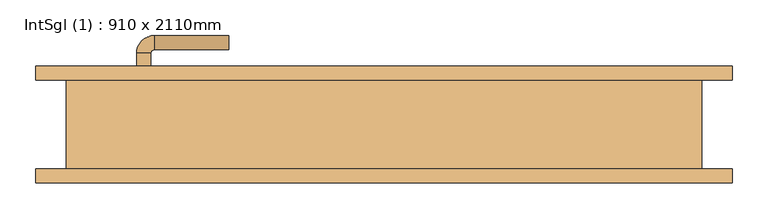
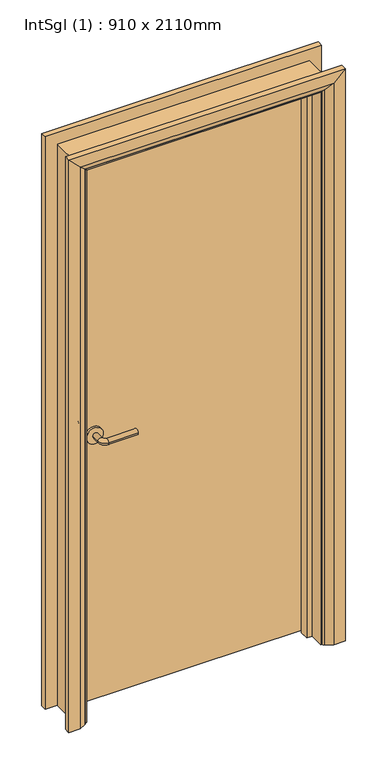
"""IFC4 building model written with IfcOpenShell, lengths in millimetres: door geometry, IntSgl (1) : 910 x 2110mm."""

import ifcopenshell
import ifcopenshell.guid

model = None  # the IFC model being written
_history = None  # IfcOwnerHistory: only IFC2X3 demands one
_inside = {}  # id of a spatial element -> (the spatial element, [elements in it])
_under = {}  # id of a project, library or spatial element -> (it, [spatial elements below it])
_declared = {}  # id of a project -> (the project, [libraries it declares])
_typed = {}  # id of a type object -> (the type object, [elements of that type])
_made_of = {}  # id of a material, layer set ... -> (it, [elements and type objects made of it])


def new_model(schema):
    """Start an empty IFC model of exactly this schema.

    Asked for "IFC4X3", IfcOpenShell would pick the latest addendum, in which some entities
    have other attributes; the version numbers below select the first issue.
    IFC2X3 requires an IfcOwnerHistory on every rooted entity: one is made here for all.
    """
    global model, _history
    if schema == "IFC4X3":
        model = ifcopenshell.file(schema_version=(4, 3, 0, 0))
    else:
        model = ifcopenshell.file(schema=schema)
    _inside.clear()
    _under.clear()
    _declared.clear()
    _typed.clear()
    _made_of.clear()
    _history = None
    if model.schema == "IFC2X3":
        org = make("IfcOrganization", Name="unknown")
        user = make(
            "IfcPersonAndOrganization",
            ThePerson=make("IfcPerson", FamilyName="unknown"),
            TheOrganization=org,
        )
        app = make(
            "IfcApplication",
            ApplicationDeveloper=org,
            Version="unknown",
            ApplicationFullName="unknown",
            ApplicationIdentifier="unknown",
        )
        _history = make(
            "IfcOwnerHistory",
            OwningUser=user,
            OwningApplication=app,
            ChangeAction="ADDED",
            CreationDate=0,
        )
    return model


def make(cls, **values):
    """One entity of the class cls with the attributes given. An attribute that is None is left unset."""
    return model.create_entity(
        cls, **{name: value for name, value in values.items() if value is not None}
    )


def rooted(cls, **values):
    """An entity with a GlobalId (a new one), such as an element, a storey or a relation."""
    return make(cls, GlobalId=ifcopenshell.guid.new(), OwnerHistory=_history, **values)


def si_unit(unit_type, name, prefix=None):
    """IfcSIUnit, for example si_unit("LENGTHUNIT", "METRE", prefix="MILLI")."""
    return make("IfcSIUnit", UnitType=unit_type, Prefix=prefix, Name=name)


def assignment(units):
    """IfcUnitAssignment: the units of a project."""
    return None if units is None else make("IfcUnitAssignment", Units=units)


def point(xyz):
    """IfcCartesianPoint."""
    return None if xyz is None else make("IfcCartesianPoint", Coordinates=xyz)


def direction(xyz):
    """IfcDirection."""
    return None if xyz is None else make("IfcDirection", DirectionRatios=xyz)


def frame(location, z_axis=None, x_axis=None):
    """IfcAxis2Placement3D, a coordinate frame: its origin and axes. An axis left out is left unset."""
    return make(
        "IfcAxis2Placement3D",
        Location=point(location),
        Axis=direction(z_axis),
        RefDirection=direction(x_axis),
    )


def frame_2d(location, x_axis=None):
    """IfcAxis2Placement2D, a coordinate frame in the plane: its origin and x axis."""
    return make(
        "IfcAxis2Placement2D", Location=point(location), RefDirection=direction(x_axis)
    )


def origin():
    """The frame at (0, 0, 0) with its axes left unset."""
    return frame((0.0, 0.0, 0.0))


def place(relative_to, where):
    """IfcLocalPlacement: puts the frame where relative to a parent placement (None: the world)."""
    return make(
        "IfcLocalPlacement", PlacementRelTo=relative_to, RelativePlacement=where
    )


def context(
    kind, dimensions, precision=None, world=None, true_north=None, identifier=None
):
    """IfcGeometricRepresentationContext, for example the 3D "Model" context."""
    return make(
        "IfcGeometricRepresentationContext",
        ContextIdentifier=identifier,
        ContextType=kind,
        CoordinateSpaceDimension=dimensions,
        Precision=precision,
        WorldCoordinateSystem=world,
        TrueNorth=true_north,
    )


def project(units=None, contexts=None):
    """IfcProject with its units and contexts."""
    return rooted(
        "IfcProject",
        Name="project",
        RepresentationContexts=contexts,
        UnitsInContext=assignment(units),
    )


def spatial(cls, under=None, at=None, **own):
    """A site, building, storey or space (cls), placed at a placement, below another one or the project."""
    s = rooted(cls, ObjectPlacement=at, **own)
    if under is not None:
        _under.setdefault(under.id(), (under, []))[1].append(s)
    return s


def polyline(points):
    """IfcPolyline through the points."""
    return make("IfcPolyline", Points=[point(p) for p in points])


def circle_curve(where, radius):
    """IfcCircle in the frame where."""
    return make("IfcCircle", Position=where, Radius=radius)


def ellipse_curve(where, semi_axis1, semi_axis2):
    """IfcEllipse in the frame where."""
    return make(
        "IfcEllipse", Position=where, SemiAxis1=semi_axis1, SemiAxis2=semi_axis2
    )


def trimmed(basis, trim1, trim2, sense, master):
    """IfcTrimmedCurve: the piece of a basis curve between two trims."""
    return make(
        "IfcTrimmedCurve",
        BasisCurve=basis,
        Trim1=trim1,
        Trim2=trim2,
        SenseAgreement=sense,
        MasterRepresentation=master,
    )


def segment(curve, same_sense, transition):
    """IfcCompositeCurveSegment."""
    return make(
        "IfcCompositeCurveSegment",
        Transition=transition,
        SameSense=same_sense,
        ParentCurve=curve,
    )


def composite_curve(segments, self_intersect=None):
    """IfcCompositeCurve: segments joined end to end."""
    return make("IfcCompositeCurve", Segments=segments, SelfIntersect=self_intersect)


def outline(outer, holes=None, kind="AREA"):
    """IfcArbitraryClosedProfileDef: a profile drawn as a closed curve; with holes, ...WithVoids."""
    if holes is None:
        return make("IfcArbitraryClosedProfileDef", ProfileType=kind, OuterCurve=outer)
    return make(
        "IfcArbitraryProfileDefWithVoids",
        ProfileType=kind,
        OuterCurve=outer,
        InnerCurves=holes,
    )


def extrude(swept, where, along, depth):
    """IfcExtrudedAreaSolid: the profile swept, set in the frame where, extruded along a direction by depth."""
    return make(
        "IfcExtrudedAreaSolid",
        SweptArea=swept,
        Position=where,
        ExtrudedDirection=direction(along),
        Depth=depth,
    )


def faces_of(points, faces, orient=None, outer=None):
    """IfcFace entities. A face is a list of loops; a loop is a list of indices into points, from 0.

    orient and outer hold one flag for each loop. By default every Orientation is true, the
    first loop of a face is its IfcFaceOuterBound and the others are IfcFaceBound.
    """
    made = []
    for i, loops in enumerate(faces):
        bounds = []
        for j, loop in enumerate(loops):
            is_outer = j == 0 if outer is None else outer[i][j]
            bounds.append(
                make(
                    "IfcFaceOuterBound" if is_outer else "IfcFaceBound",
                    Bound=make("IfcPolyLoop", Polygon=[points[k] for k in loop]),
                    Orientation=True if orient is None else orient[i][j],
                )
            )
        made.append(make("IfcFace", Bounds=bounds))
    return made


def faceted_brep(points, faces, orient=None, outer=None, voids=None):
    """IfcFacetedBrep: a solid bounded by flat faces; with voids (closed shells), ...WithVoids."""
    shared = [point(p) for p in points]
    hull = make("IfcClosedShell", CfsFaces=faces_of(shared, faces, orient, outer))
    if voids is None:
        return make("IfcFacetedBrep", Outer=hull)
    return make(
        "IfcFacetedBrepWithVoids",
        Outer=hull,
        Voids=[
            make(cls, CfsFaces=faces_of(shared, fs, o, b)) for cls, fs, o, b in voids
        ],
    )


def shape(context_of_items, identifier, shape_type, items):
    """IfcShapeRepresentation: the items that make up one representation, for example the "Body"."""
    return make(
        "IfcShapeRepresentation",
        ContextOfItems=context_of_items,
        RepresentationIdentifier=identifier,
        RepresentationType=shape_type,
        Items=items,
    )


def source(mapping_origin, context_of_items, identifier, shape_type, items):
    """IfcRepresentationMap: a shape defined once, which mapped items show again and again."""
    return make(
        "IfcRepresentationMap",
        MappingOrigin=mapping_origin,
        MappedRepresentation=shape(context_of_items, identifier, shape_type, items),
    )


def transform(
    local_origin,
    x_axis=None,
    y_axis=None,
    z_axis=None,
    scale=None,
    scale2=None,
    scale3=None,
    uniform=True,
):
    """IfcCartesianTransformationOperator3D, or its non-uniform kind. x_axis, y_axis, z_axis: its Axis1, 2, 3."""
    if uniform:
        return make(
            "IfcCartesianTransformationOperator3D",
            Axis1=direction(x_axis),
            Axis2=direction(y_axis),
            LocalOrigin=point(local_origin),
            Scale=scale,
            Axis3=direction(z_axis),
        )
    return make(
        "IfcCartesianTransformationOperator3DnonUniform",
        Axis1=direction(x_axis),
        Axis2=direction(y_axis),
        LocalOrigin=point(local_origin),
        Scale=scale,
        Axis3=direction(z_axis),
        Scale2=scale2,
        Scale3=scale3,
    )


def mapped(mapping_source, mapping_target):
    """IfcMappedItem: shows the shape of a source again, moved by a transform."""
    return make(
        "IfcMappedItem", MappingSource=mapping_source, MappingTarget=mapping_target
    )


def made_of(thing, what):
    """Note that an element or type object is made of a material, layer set ...; save() writes the relation."""
    if what is not None:
        _made_of.setdefault(what.id(), (what, []))[1].append(thing)
    return thing


def element(
    cls,
    number,
    at=None,
    inside=None,
    cuts=None,
    type_object=None,
    material=None,
    context=None,
    identifier="Body",
    shape_type=None,
    held_by="IfcProductDefinitionShape",
    body=None,
    shapes=None,
    **own,
):
    """One element of the class cls, such as IfcWall. Its Tag is "e" and its number.

    at: its placement. inside: the storey or other place that contains it. cuts: it is an
    opening in that element (IfcRelVoidsElement). A single representation is given by context,
    identifier, shape_type and body (its items); several are given by shapes. held_by: the class
    of the entity that holds the representations. save() writes the other relations.
    """
    e = rooted(cls, Tag="e%d" % number, ObjectPlacement=at, **own)
    if body is not None:
        shapes = [shape(context, identifier, shape_type, body)]
    if shapes is not None:
        e.Representation = make(held_by, Representations=shapes)
    if inside is not None:
        _inside.setdefault(inside.id(), (inside, []))[1].append(e)
    if cuts is not None:
        rooted(
            "IfcRelVoidsElement", RelatingBuildingElement=cuts, RelatedOpeningElement=e
        )
    if type_object is not None:
        _typed.setdefault(type_object.id(), (type_object, []))[1].append(e)
    return made_of(e, material)


def aggregate(whole, parts):
    """IfcRelAggregates: a whole, such as a stair, and the parts it consists of."""
    return rooted("IfcRelAggregates", RelatingObject=whole, RelatedObjects=parts)


def save(model, path):
    """Write the relations noted so far, then the file.

    IfcRelAggregates (storeys below a building ...), IfcRelContainedInSpatialStructure (elements
    in a storey), IfcRelDefinesByType, IfcRelAssociatesMaterial and IfcRelDeclares: one each for
    every whole, place, type object, material and project.
    """
    for whole, parts in _under.values():
        aggregate(whole, parts)
    for where, things in _inside.values():
        rooted(
            "IfcRelContainedInSpatialStructure",
            RelatedElements=things,
            RelatingStructure=where,
        )
    for kind, things in _typed.values():
        rooted("IfcRelDefinesByType", RelatedObjects=things, RelatingType=kind)
    for what, things in _made_of.values():
        rooted("IfcRelAssociatesMaterial", RelatedObjects=things, RelatingMaterial=what)
    for by, libraries in _declared.values():
        rooted("IfcRelDeclares", RelatingContext=by, RelatedDefinitions=libraries)
    model.write(path)


def plane_surface(at):
    """IfcPlane: the flat surface through the origin of the frame at, square to its z axis."""
    return make("IfcPlane", Position=at)


def cylinder_surface(at, radius):
    """IfcCylindricalSurface: all points at the distance radius from the z axis of the frame at."""
    return make("IfcCylindricalSurface", Position=at, Radius=radius)


def revolved_surface(curve, axis_point, axis_direction):
    """IfcSurfaceOfRevolution: the curve turned about the line through axis_point along axis_direction."""
    return make(
        "IfcSurfaceOfRevolution",
        SweptCurve=make("IfcArbitraryOpenProfileDef", ProfileType="CURVE", Curve=curve),
        AxisPosition=make("IfcAxis1Placement", Location=point(axis_point), Axis=direction(axis_direction)),
    )


def advanced_brep(points, edges, surfaces, faces):
    """IfcAdvancedBrep: a solid bounded by faces that lie on surfaces and meet in shared edges.

    An edge is (start, end): straight between two places in points (the first is 0);
    or (start, end, curve); or (start, end, curve, False) where it runs against its curve.
    A face is (place in surfaces, loops), or (place, loops, False) where it looks against
    its surface's normal. A loop lists edges by number (the first is 1), with a minus sign
    where the edge is run from its end to its start. The first loop is the outer one.
    """
    corners = [point(p) for p in points]
    vertices = [make("IfcVertexPoint", VertexGeometry=c) for c in corners]
    made = []
    for start, end, *more in edges:
        made.append(
            make(
                "IfcEdgeCurve",
                EdgeStart=vertices[start],
                EdgeEnd=vertices[end],
                EdgeGeometry=more[0] if more else make("IfcPolyline", Points=[corners[start], corners[end]]),
                SameSense=more[1] if len(more) > 1 else True,
            )
        )
    hull = []
    for where, loops, *sense in faces:
        bounds = []
        for j, loop in enumerate(loops):
            ring = [make("IfcOrientedEdge", EdgeElement=made[abs(k) - 1], Orientation=k > 0) for k in loop]
            bounds.append(
                make(
                    "IfcFaceOuterBound" if j == 0 else "IfcFaceBound",
                    Bound=make("IfcEdgeLoop", EdgeList=ring),
                    Orientation=True,
                )
            )
        hull.append(make("IfcAdvancedFace", Bounds=bounds, FaceSurface=surfaces[where], SameSense=sense[0] if sense else True))
    return make("IfcAdvancedBrep", Outer=make("IfcClosedShell", CfsFaces=hull))


def intsgl_1_910_x_2110mm_1208da3b(model_context):
    return source(origin(), model_context, "Body", "SolidModel", [
        advanced_brep(
        [(-348.0, 16.5, 1000.0), (-328.0, 16.5, 1000.0), (-328.0, -13.5, 1000.0), (-348.0, -13.5, 1000.0), (-323.0, -18.5, 1000.0), (-323.0, -38.5, 1000.0), (-218.0, -38.5, 1000.0), (-218.0, -18.5, 1000.0)],
        [
            (0, 1, circle_curve(frame((-338.0, 16.5, 1000.0), z_axis=(0.0, 1.0, 0.0), x_axis=(1.0, 0.0, 0.0)), 10.0)),
            (1, 0, circle_curve(frame((-338.0, 16.5, 1000.0), z_axis=(0.0, 1.0, 0.0), x_axis=(1.0, 0.0, 0.0)), 10.0)),
            (1, 2),
            (2, 3, circle_curve(frame((-338.0, -13.5, 1000.0), z_axis=(0.0, 1.0, 0.0), x_axis=(1.0, 0.0, 0.0)), 10.0)),
            (3, 0),
            (3, 2, circle_curve(frame((-338.0, -13.5, 1000.0), z_axis=(0.0, 1.0, 0.0), x_axis=(1.0, 0.0, 0.0)), 10.0)),
            (4, 5, circle_curve(frame((-323.0, -28.5, 1000.0), z_axis=(-1.0, 0.0, 0.0), x_axis=(0.0, 1.0, 0.0)), 10.0)),
            (5, 3, circle_curve(frame((-323.0, -13.5, 1000.0), z_axis=(0.0, 0.0, -1.0), x_axis=(-1.0, 0.0, 0.0)), 25.0)),
            (2, 4, circle_curve(frame((-323.0, -13.5, 1000.0), z_axis=(0.0, 0.0, 1.0), x_axis=(-1.0, 0.0, 0.0)), 5.0)),
            (5, 4, circle_curve(frame((-323.0, -28.5, 1000.0), z_axis=(-1.0, 0.0, 0.0), x_axis=(0.0, 1.0, 0.0)), 10.0)),
            (6, 7, circle_curve(frame((-218.0, -28.5, 1000.0), z_axis=(1.0, 0.0, 0.0), x_axis=(0.0, 1.0, 0.0)), 10.0)),
            (7, 6, circle_curve(frame((-218.0, -28.5, 1000.0), z_axis=(1.0, 0.0, 0.0), x_axis=(0.0, 1.0, 0.0)), 10.0)),
            (4, 7),
            (6, 5),
        ],
        [
            plane_surface(frame((-338.0, 16.5, 1000.0), z_axis=(0.0, 1.0, 0.0), x_axis=(0.0, 0.0, 1.0))),
            cylinder_surface(frame((-338.0, 16.5, 1000.0), z_axis=(0.0, 1.0, 0.0), x_axis=(1.0, 0.0, 0.0)), 10.0),
            revolved_surface(trimmed(ellipse_curve(frame((-338.0, -13.5, 1000.0), z_axis=(0.0, -1.0, 0.0), x_axis=(1.0, 0.0, 0.0)), 10.0, 10.0), [point((-348.0, -13.5, 1000.0))], [point((-328.0, -13.5, 1000.0))], True, "CARTESIAN"), (-323.0, -13.5, 1000.0), (0.0, 0.0, -1.0)),
            revolved_surface(trimmed(ellipse_curve(frame((-338.0, -13.5, 1000.0), z_axis=(0.0, -1.0, 0.0), x_axis=(1.0, 0.0, 0.0)), 10.0, 10.0), [point((-328.0, -13.5, 1000.0))], [point((-348.0, -13.5, 1000.0))], True, "CARTESIAN"), (-323.0, -13.5, 1000.0), (0.0, 0.0, -1.0)),
            plane_surface(frame((-218.0, -28.5, 1000.0), z_axis=(1.0, 0.0, 0.0), x_axis=(0.0, 0.0, 1.0))),
            cylinder_surface(frame((-323.0, -28.5, 1000.0), z_axis=(-1.0, 0.0, 0.0), x_axis=(0.0, 1.0, 0.0)), 10.0),
        ],
        [
            (0, [[1, 2]]),
            (1, [[3, 4, 5, -2]]),
            (1, [[-5, 6, -3, -1]]),
            (2, [[7, 8, -4, 9]]),
            (3, [[10, -9, -6, -8]]),
            (4, [[11, 12]]),
            (5, [[13, -11, 14, -7]]),
            (5, [[-14, -12, -13, -10]]),
        ],
    ),
        extrude(outline(composite_curve([segment(trimmed(circle_curve(frame_2d((1000.0, -340.5)), 30.0), [point((1000.0, -370.5))], [point((1000.0, -310.5))], False, "CARTESIAN"), True, "CONTINUOUS"), segment(trimmed(circle_curve(frame_2d((1000.0, -340.5)), 30.0), [point((1000.0, -310.5))], [point((1000.0, -370.5))], False, "CARTESIAN"), True, "CONTINUOUS")], self_intersect=False)), frame((0.0, 16.5, 0.0), z_axis=(0.0, 1.0, 0.0), x_axis=(0.0, 0.0, 1.0)), (0.0, 0.0, 1.0), 8.0),
        advanced_brep(
        [(-348.0, 70.5, 1000.0), (-328.0, 70.5, 1000.0), (-348.0, 100.5, 1000.0), (-328.0, 100.5, 1000.0), (-323.0, 105.5, 1000.0), (-323.0, 125.5, 1000.0), (-218.0, 125.5, 1000.0), (-218.0, 105.5, 1000.0)],
        [
            (0, 1, circle_curve(frame((-338.0, 70.5, 1000.0), z_axis=(0.0, -1.0, 0.0), x_axis=(1.0, 0.0, 0.0)), 10.0)),
            (1, 0, circle_curve(frame((-338.0, 70.5, 1000.0), z_axis=(0.0, -1.0, 0.0), x_axis=(1.0, 0.0, 0.0)), 10.0)),
            (0, 2),
            (2, 3, circle_curve(frame((-338.0, 100.5, 1000.0), z_axis=(0.0, -1.0, 0.0), x_axis=(1.0, 0.0, 0.0)), 10.0)),
            (3, 1),
            (3, 2, circle_curve(frame((-338.0, 100.5, 1000.0), z_axis=(0.0, -1.0, 0.0), x_axis=(1.0, 0.0, 0.0)), 10.0)),
            (4, 3, circle_curve(frame((-323.0, 100.5, 1000.0), z_axis=(0.0, 0.0, 1.0), x_axis=(-1.0, 0.0, 0.0)), 5.0)),
            (2, 5, circle_curve(frame((-323.0, 100.5, 1000.0), z_axis=(0.0, 0.0, -1.0), x_axis=(-1.0, 0.0, 0.0)), 25.0)),
            (5, 4, circle_curve(frame((-323.0, 115.5, 1000.0), z_axis=(-1.0, 0.0, 0.0), x_axis=(0.0, -1.0, 0.0)), 10.0)),
            (4, 5, circle_curve(frame((-323.0, 115.5, 1000.0), z_axis=(-1.0, 0.0, 0.0), x_axis=(0.0, -1.0, 0.0)), 10.0)),
            (6, 7, circle_curve(frame((-218.0, 115.5, 1000.0), z_axis=(1.0, 0.0, 0.0), x_axis=(0.0, -1.0, 0.0)), 10.0)),
            (7, 6, circle_curve(frame((-218.0, 115.5, 1000.0), z_axis=(1.0, 0.0, 0.0), x_axis=(0.0, -1.0, 0.0)), 10.0)),
            (5, 6),
            (7, 4),
        ],
        [
            plane_surface(frame((-338.0, 70.5, 1000.0), z_axis=(0.0, -1.0, 0.0), x_axis=(0.0, 0.0, 1.0))),
            cylinder_surface(frame((-338.0, 70.5, 1000.0), z_axis=(0.0, -1.0, 0.0), x_axis=(1.0, 0.0, 0.0)), 10.0),
            revolved_surface(trimmed(ellipse_curve(frame((-338.0, 100.5, 1000.0), z_axis=(0.0, -1.0, 0.0), x_axis=(1.0, 0.0, 0.0)), 10.0, 10.0), [point((-348.0, 100.5, 1000.0))], [point((-328.0, 100.5, 1000.0))], True, "CARTESIAN"), (-323.0, 100.5, 1000.0), (0.0, 0.0, -1.0)),
            revolved_surface(trimmed(ellipse_curve(frame((-338.0, 100.5, 1000.0), z_axis=(0.0, -1.0, 0.0), x_axis=(1.0, 0.0, 0.0)), 10.0, 10.0), [point((-328.0, 100.5, 1000.0))], [point((-348.0, 100.5, 1000.0))], True, "CARTESIAN"), (-323.0, 100.5, 1000.0), (0.0, 0.0, -1.0)),
            plane_surface(frame((-218.0, 115.5, 1000.0), z_axis=(1.0, 0.0, 0.0), x_axis=(0.0, 0.0, 1.0))),
            cylinder_surface(frame((-323.0, 115.5, 1000.0), z_axis=(-1.0, 0.0, 0.0), x_axis=(0.0, -1.0, 0.0)), 10.0),
        ],
        [
            (0, [[1, 2]]),
            (1, [[-1, 3, 4, 5]]),
            (1, [[-2, -5, 6, -3]]),
            (2, [[7, -4, 8, 9]]),
            (3, [[-8, -6, -7, 10]]),
            (4, [[11, 12]]),
            (5, [[-9, 13, -12, 14]]),
            (5, [[-10, -14, -11, -13]]),
        ],
    ),
        extrude(outline(composite_curve([segment(trimmed(circle_curve(frame_2d((1000.0, -340.5)), 30.0), [point((1000.0, -370.5))], [point((1000.0, -310.5))], False, "CARTESIAN"), True, "CONTINUOUS"), segment(trimmed(circle_curve(frame_2d((1000.0, -340.5)), 30.0), [point((1000.0, -310.5))], [point((1000.0, -370.5))], False, "CARTESIAN"), True, "CONTINUOUS")], self_intersect=False)), frame((0.0, 62.5, 0.0), z_axis=(0.0, 1.0, 0.0), x_axis=(0.0, 0.0, 1.0)), (0.0, 0.0, 1.0), 8.0),
        extrude(outline(polyline([(413.0, 24.5), (-413.0, 24.5), (-413.0, 62.5), (413.0, 62.5), (413.0, 24.5)])), frame((0.0, 0.0, 8.0), z_axis=(0.0, 0.0, 1.0), x_axis=(1.0, 0.0, 0.0)), (0.0, 0.0, 1.0), 2060.0),
        advanced_brep(
        [(490.0, 82.5, 0.0), (490.0, 62.5, 0.0), (420.0, 62.5, 0.0), (424.0, 68.5, 0.0), (450.0, 82.5, 0.0), (490.0, 82.5, 2145.0), (490.0, 62.5, 2145.0), (-490.0, 62.5, 2145.0), (-490.0, 62.5, 0.0), (-420.0, 62.5, 0.0), (-420.0, 62.5, 2075.0), (420.0, 62.5, 2075.0), (424.0, 68.5, 2079.0), (450.0, 82.5, 2105.0), (-450.0, 82.5, 2105.0), (-450.0, 82.5, 0.0), (-490.0, 82.5, 0.0), (-490.0, 82.5, 2145.0), (-424.0, 68.5, 2079.0), (-424.0, 68.5, 0.0)],
        [
            (0, 1),
            (1, 2),
            (2, 3, circle_curve(frame((428.0, 61.5, 0.0), z_axis=(0.0, 0.0, -1.0), x_axis=(1.0, 0.0, 0.0)), 8.0622577)),
            (3, 4),
            (4, 0),
            (0, 5),
            (5, 6),
            (6, 1),
            (6, 7),
            (7, 8),
            (8, 9),
            (9, 10),
            (10, 11),
            (11, 2),
            (11, 12, ellipse_curve(frame((428.0, 61.5, 2083.0), z_axis=(0.7071067811865475, 0.0, -0.7071067811865475), x_axis=(-0.7071067811865474, 0.0, -0.7071067811865476)), 11.4017543, 8.0622577)),
            (12, 3),
            (12, 13),
            (13, 4),
            (13, 14),
            (14, 15),
            (15, 16),
            (16, 17),
            (17, 5),
            (17, 7),
            (10, 18, ellipse_curve(frame((-428.0, 61.5, 2083.0), z_axis=(0.7071067811865475, 0.0, 0.7071067811865475), x_axis=(0.7071067811865476, 0.0, -0.7071067811865474)), 11.4017543, 8.0622577)),
            (18, 12),
            (18, 14),
            (15, 19),
            (19, 9, circle_curve(frame((-428.0, 61.5, 0.0), z_axis=(0.0, 0.0, -1.0), x_axis=(-1.0, 0.0, 0.0)), 8.0622577)),
            (8, 16),
            (19, 18),
        ],
        [
            plane_surface(frame((420.0, 62.5, 0.0), z_axis=(0.0, 0.0, -1.0), x_axis=(0.0, -1.0, 0.0))),
            plane_surface(frame((490.0, 82.5, 0.0), z_axis=(1.0, 0.0, 0.0), x_axis=(0.0, 0.0, 1.0))),
            plane_surface(frame((490.0, 62.5, 0.0), z_axis=(0.0, -1.0, 0.0), x_axis=(0.0, 0.0, 1.0))),
            cylinder_surface(frame((428.0, 61.5, 0.0), z_axis=(0.0, 0.0, -1.0), x_axis=(1.0, 0.0, 0.0)), 8.0622577),
            plane_surface(frame((424.0, 68.5, 0.0), z_axis=(-0.4740998230350126, 0.880471099922178, 0.0), x_axis=(0.0, 0.0, 1.0))),
            plane_surface(frame((450.0, 82.5, 0.0), z_axis=(0.0, 1.0, 0.0), x_axis=(0.0, 0.0, 1.0))),
            plane_surface(frame((490.0, 82.5, 2145.0), z_axis=(0.0, 0.0, 1.0), x_axis=(-1.0, 0.0, 0.0))),
            cylinder_surface(frame((420.0, 61.5, 2083.0), z_axis=(1.0, 0.0, 0.0), x_axis=(0.0, 0.0, 1.0)), 8.0622577),
            plane_surface(frame((424.0, 68.5, 2079.0), z_axis=(0.0, 0.8804710999221764, -0.4740998230350154), x_axis=(-1.0, 0.0, 0.0))),
            plane_surface(frame((-420.0, 62.5, 0.0), z_axis=(0.0, 0.0, -1.0), x_axis=(0.0, -1.0, 0.0))),
            plane_surface(frame((-490.0, 82.5, 2145.0), z_axis=(-1.0, 0.0, 0.0), x_axis=(0.0, 0.0, -1.0))),
            cylinder_surface(frame((-428.0, 61.5, 2075.0), z_axis=(0.0, 0.0, 1.0), x_axis=(-1.0, 0.0, 0.0)), 8.0622577),
            plane_surface(frame((-424.0, 68.5, 2079.0), z_axis=(0.47409982303501824, 0.8804710999221749, 0.0), x_axis=(0.0, 0.0, -1.0))),
        ],
        [
            (0, [[1, 2, 3, 4, 5]]),
            (1, [[-1, 6, 7, 8]]),
            (2, [[-2, -8, 9, 10, 11, 12, 13, 14]]),
            (3, [[-3, -14, 15, 16]]),
            (4, [[-4, -16, 17, 18]]),
            (5, [[-5, -18, 19, 20, 21, 22, 23, -6]]),
            (6, [[-7, -23, 24, -9]]),
            (7, [[-15, -13, 25, 26]]),
            (8, [[-17, -26, 27, -19]]),
            (9, [[-21, 28, 29, -11, 30]]),
            (10, [[-24, -22, -30, -10]]),
            (11, [[-25, -12, -29, 31]]),
            (12, [[-27, -31, -28, -20]]),
        ],
    ),
        extrude(outline(polyline([(0.0, -415.0), (0.0, -396.0), (2051.0, -396.0), (2051.0, 396.0), (0.0, 396.0), (0.0, 415.0), (2070.0, 415.0), (2070.0, -415.0), (0.0, -415.0)])), frame((0.0, -9.5, 0.0), z_axis=(0.0, 1.0, 0.0), x_axis=(0.0, 0.0, 1.0)), (0.0, 0.0, 1.0), 32.0),
        advanced_brep(
        [(-490.0, -82.5, 0.0), (-490.0, -62.5, 0.0), (-420.0, -62.5, 0.0), (-424.0, -68.5, 0.0), (-450.0, -82.5, 0.0), (-490.0, -82.5, 2145.0), (-490.0, -62.5, 2145.0), (-420.0, -62.5, 2075.0), (-424.0, -68.5, 2079.0), (-450.0, -82.5, 2105.0), (490.0, -82.5, 2145.0), (490.0, -62.5, 2145.0), (420.0, -62.5, 2075.0), (424.0, -68.5, 2079.0), (450.0, -82.5, 2105.0), (490.0, -82.5, 0.0), (450.0, -82.5, 0.0), (424.0, -68.5, 0.0), (420.0, -62.5, 0.0), (490.0, -62.5, 0.0)],
        [
            (0, 1),
            (1, 2),
            (2, 3, circle_curve(frame((-428.0, -61.5, 0.0), z_axis=(0.0, 0.0, -1.0), x_axis=(-1.0, 0.0, 0.0)), 8.0622577)),
            (3, 4),
            (4, 0),
            (0, 5),
            (5, 6),
            (6, 1),
            (6, 7),
            (7, 2),
            (7, 8, ellipse_curve(frame((-428.0, -61.5, 2083.0), z_axis=(-0.7071067811865475, 0.0, -0.7071067811865475), x_axis=(0.7071067811865474, 0.0, -0.7071067811865476)), 11.4017543, 8.0622577)),
            (8, 3),
            (8, 9),
            (9, 4),
            (9, 5),
            (5, 10),
            (10, 11),
            (11, 6),
            (11, 12),
            (12, 7),
            (12, 13, ellipse_curve(frame((428.0, -61.5, 2083.0), z_axis=(-0.7071067811865475, 0.0, 0.7071067811865475), x_axis=(-0.7071067811865476, 0.0, -0.7071067811865474)), 11.4017543, 8.0622577)),
            (13, 8),
            (13, 14),
            (14, 9),
            (14, 10),
            (15, 16),
            (16, 17),
            (17, 18, circle_curve(frame((428.0, -61.5, 0.0), z_axis=(0.0, 0.0, -1.0), x_axis=(1.0, 0.0, 0.0)), 8.0622577)),
            (18, 19),
            (19, 15),
            (10, 15),
            (19, 11),
            (18, 12),
            (17, 13),
            (16, 14),
        ],
        [
            plane_surface(frame((-420.0, -135.3010989, 0.0), z_axis=(0.0, 0.0, -1.0), x_axis=(1.0, 0.0, 0.0))),
            plane_surface(frame((-490.0, -82.5, 0.0), z_axis=(-1.0, 0.0, 0.0), x_axis=(0.0, 0.0, 1.0))),
            plane_surface(frame((-490.0, -62.5, 0.0), z_axis=(0.0, 1.0, 0.0), x_axis=(0.0, 0.0, 1.0))),
            cylinder_surface(frame((-428.0, -61.5, 0.0), z_axis=(0.0, 0.0, -1.0), x_axis=(-1.0, 0.0, 0.0)), 8.0622577),
            plane_surface(frame((-424.0, -68.5, 0.0), z_axis=(0.4740998230350183, -0.8804710999221749, 0.0), x_axis=(0.0, 0.0, 1.0))),
            plane_surface(frame((-450.0, -82.5, 0.0), z_axis=(0.0, -1.0, 0.0), x_axis=(0.0, 0.0, 1.0))),
            plane_surface(frame((-490.0, -82.5, 2145.0), z_axis=(0.0, 0.0, 1.0), x_axis=(1.0, 0.0, 0.0))),
            plane_surface(frame((-490.0, -62.5, 2145.0), z_axis=(0.0, 1.0, 0.0), x_axis=(1.0, 0.0, 0.0))),
            cylinder_surface(frame((-420.0, -61.5, 2083.0), z_axis=(-1.0, 0.0, 0.0), x_axis=(0.0, 0.0, 1.0)), 8.0622577),
            plane_surface(frame((-424.0, -68.5, 2079.0), z_axis=(0.0, -0.8804710999221749, -0.4740998230350183), x_axis=(1.0, 0.0, 0.0))),
            plane_surface(frame((-450.0, -82.5, 2105.0), z_axis=(0.0, -1.0, 0.0), x_axis=(1.0, 0.0, 0.0))),
            plane_surface(frame((420.0, -135.3010989, 0.0), z_axis=(0.0, 0.0, -1.0), x_axis=(-1.0, 0.0, 0.0))),
            plane_surface(frame((490.0, -82.5, 2145.0), z_axis=(1.0, 0.0, 0.0), x_axis=(0.0, 0.0, -1.0))),
            plane_surface(frame((490.0, -62.5, 2145.0), z_axis=(0.0, 1.0, 0.0), x_axis=(0.0, 0.0, -1.0))),
            cylinder_surface(frame((428.0, -61.5, 2075.0), z_axis=(0.0, 0.0, 1.0), x_axis=(1.0, 0.0, 0.0)), 8.0622577),
            plane_surface(frame((424.0, -68.5, 2079.0), z_axis=(-0.4740998230350183, -0.8804710999221749, 0.0), x_axis=(0.0, 0.0, -1.0))),
            plane_surface(frame((450.0, -82.5, 2105.0), z_axis=(0.0, -1.0, 0.0), x_axis=(0.0, 0.0, -1.0))),
        ],
        [
            (0, [[1, 2, 3, 4, 5]]),
            (1, [[-1, 6, 7, 8]]),
            (2, [[-2, -8, 9, 10]]),
            (3, [[-3, -10, 11, 12]]),
            (4, [[-4, -12, 13, 14]]),
            (5, [[-5, -14, 15, -6]]),
            (6, [[-7, 16, 17, 18]]),
            (7, [[-9, -18, 19, 20]]),
            (8, [[-11, -20, 21, 22]]),
            (9, [[-13, -22, 23, 24]]),
            (10, [[-15, -24, 25, -16]]),
            (11, [[26, 27, 28, 29, 30]]),
            (12, [[-17, 31, -30, 32]]),
            (13, [[-19, -32, -29, 33]]),
            (14, [[-21, -33, -28, 34]]),
            (15, [[-23, -34, -27, 35]]),
            (16, [[-25, -35, -26, -31]]),
        ],
    ),
        faceted_brep([(-415.0, 62.5, 0.0), (-415.0, -62.5, 0.0), (-447.0, -62.5, 0.0), (-447.0, 62.5, 0.0), (-415.0, 62.5, 2070.0), (-415.0, -62.5, 2070.0), (-447.0, -62.5, 2102.0), (-447.0, 62.5, 2102.0), (415.0, 62.5, 2070.0), (415.0, -62.5, 2070.0), (447.0, -62.5, 2102.0), (447.0, 62.5, 2102.0), (415.0, 62.5, 0.0), (447.0, 62.5, 0.0), (447.0, -62.5, 0.0), (415.0, -62.5, 0.0)], [[[0, 1, 2, 3]], [[1, 0, 4, 5]], [[2, 1, 5, 6]], [[3, 2, 6, 7]], [[0, 3, 7, 4]], [[5, 4, 8, 9]], [[6, 5, 9, 10]], [[7, 6, 10, 11]], [[4, 7, 11, 8]], [[12, 13, 14, 15]], [[9, 8, 12, 15]], [[10, 9, 15, 14]], [[11, 10, 14, 13]], [[8, 11, 13, 12]]]),
    ])


if __name__ == "__main__":
    model = new_model("IFC4")
    model_context = context("Model", 3, world=origin())
    ifc_project = project(units=[si_unit("LENGTHUNIT", "METRE", prefix="MILLI")], contexts=[model_context])
    site = spatial("IfcSite", under=ifc_project)
    building = spatial("IfcBuilding", under=site)
    placement = place(None, origin())
    intsgl_1_910_x_2110mm_shape = intsgl_1_910_x_2110mm_1208da3b(model_context)
    element("IfcDoor", 1, ObjectType="IntSgl (1) : 910 x 2110mm", at=placement, inside=building, context=model_context, shape_type="MappedRepresentation", body=[
        mapped(intsgl_1_910_x_2110mm_shape, transform((0.0, 0.0, 0.0), x_axis=(1.0, 0.0, 0.0), y_axis=(0.0, 1.0, 0.0), z_axis=(0.0, 0.0, 1.0))),
    ])
    save(model, "model.ifc")
